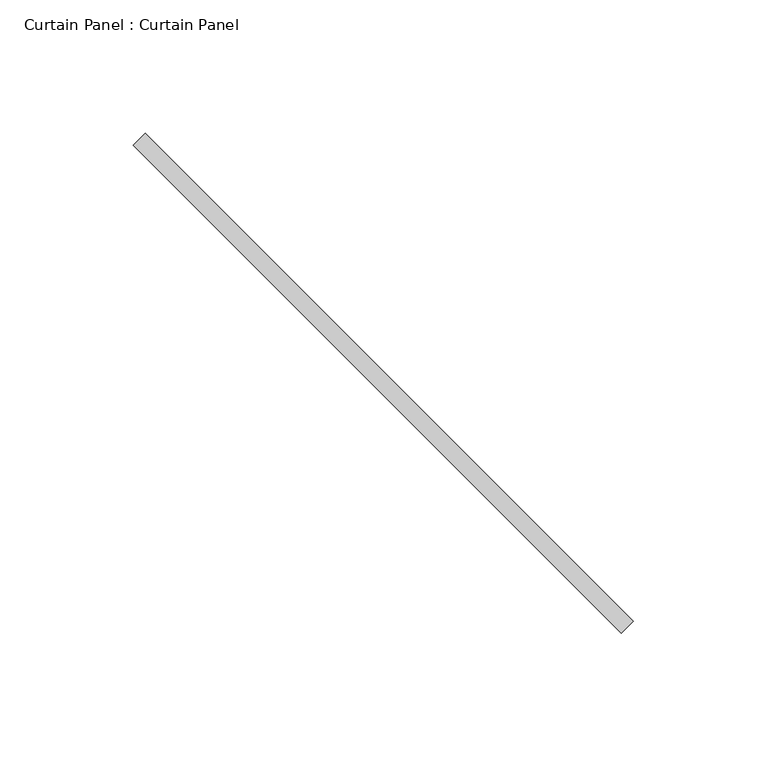
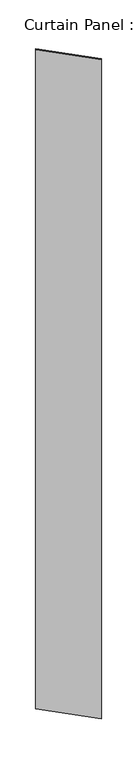
"""IFC4 building model written with IfcOpenShell, lengths in millimetres: plate geometry, Curtain Panel : Curtain Panel."""

from ifc_helpers import new_model, si_unit, origin, origin_with_axes, place, context, project, spatial, polyline, outline, extrude, source, transform, mapped, element, save


def curtain_panel_curtain_panel_6b25b2c2(model_context):
    return source(origin(), model_context, "Body", "SweptSolid", [
        extrude(outline(polyline([(342596.3266077, 1402.6740031), (342413.3538892, 1585.6467216), (342417.8440172, 1590.1368497), (342600.8167357, 1407.1641312), (342596.3266077, 1402.6740031)])), origin_with_axes(), (0.0, 0.0, 1.0), 3048.0),
    ])


if __name__ == "__main__":
    model = new_model("IFC4")
    model_context = context("Model", 3, world=origin())
    ifc_project = project(units=[si_unit("LENGTHUNIT", "METRE", prefix="MILLI")], contexts=[model_context])
    site = spatial("IfcSite", under=ifc_project)
    building = spatial("IfcBuilding", under=site)
    placement = place(None, origin())
    curtain_panel_curtain_panel_shape = curtain_panel_curtain_panel_6b25b2c2(model_context)
    element("IfcPlate", 1, ObjectType="Curtain Panel : Curtain Panel", at=placement, inside=building, context=model_context, shape_type="MappedRepresentation", body=[
        mapped(curtain_panel_curtain_panel_shape, transform((0.0, 0.0, 0.0), x_axis=(1.0, 0.0, 0.0), y_axis=(0.0, 1.0, 0.0), z_axis=(0.0, 0.0, 1.0))),
    ])
    save(model, "model.ifc")
